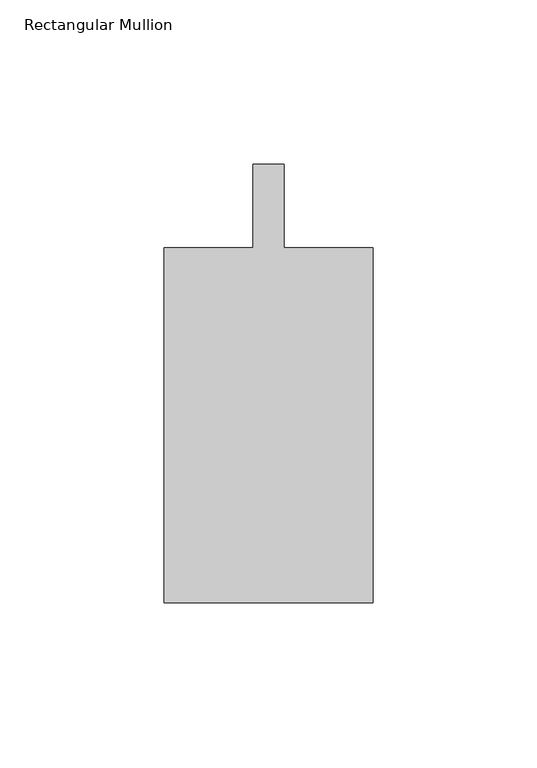
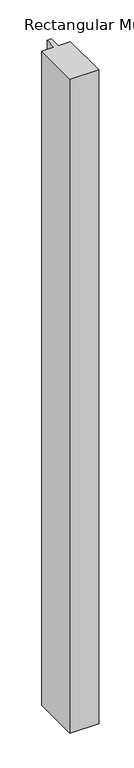
"""IFC4 building model written with IfcOpenShell, lengths in millimetres: member geometry, Rectangular Mullion."""

from ifc_helpers import new_model, si_unit, frame, origin, place, context, project, spatial, polyline, outline, extrude, source, transform, mapped, element, save


def rectangular_mullion_a2cc014e(model_context):
    return source(origin(), model_context, "Body", "SweptSolid", [
        extrude(outline(polyline([(-4.7625, -12.7), (-4.7625, 12.7), (4.7625, 12.7), (4.7625, -12.7), (31.75, -12.7), (31.75, -120.65), (-31.75, -120.65), (-31.75, -12.7), (-4.7625, -12.7)])), frame((0.0, 0.0, -1524.0), z_axis=(0.0, 0.0, 1.0), x_axis=(1.0, 0.0, 0.0)), (0.0, 0.0, 1.0), 1524.0),
    ])


if __name__ == "__main__":
    model = new_model("IFC4")
    model_context = context("Model", 3, world=origin())
    ifc_project = project(units=[si_unit("LENGTHUNIT", "METRE", prefix="MILLI")], contexts=[model_context])
    site = spatial("IfcSite", under=ifc_project)
    building = spatial("IfcBuilding", under=site)
    placement = place(None, origin())
    rectangular_mullion_shape = rectangular_mullion_a2cc014e(model_context)
    element("IfcMember", 1, ObjectType="Rectangular Mullion", at=placement, inside=building, context=model_context, shape_type="MappedRepresentation", body=[
        mapped(rectangular_mullion_shape, transform((0.0, 0.0, 0.0), x_axis=(1.0, 0.0, 0.0), y_axis=(0.0, 1.0, 0.0), z_axis=(0.0, 0.0, 1.0))),
    ])
    save(model, "model.ifc")
